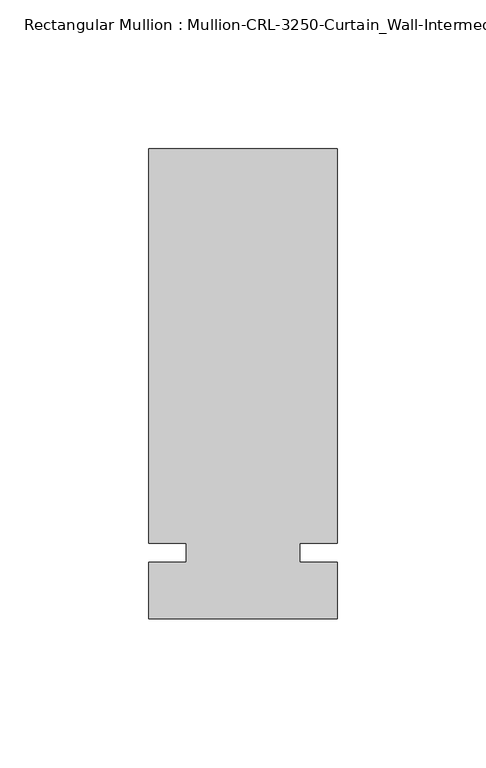
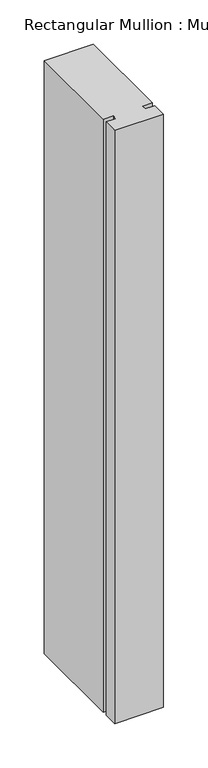
"""IFC4 building model written with IfcOpenShell, lengths in millimetres: member geometry."""

from ifc_helpers import new_model, si_unit, frame, origin, place, context, project, spatial, polyline, outline, extrude, source, transform, mapped, element, save


def member_1d3f8cbb(model_context):
    return source(origin(), model_context, "Body", "SweptSolid", [
        extrude(outline(polyline([(31.7499985, -3.175), (31.7499985, -22.2254168), (-31.7499985, -22.2254168), (-31.7499985, -3.175), (-19.0499985, -3.175), (-19.0499985, 3.175), (-31.7499985, 3.175), (-31.7499985, 136.0175642), (31.7499985, 136.0175642), (31.7499985, 3.175), (19.0499985, 3.175), (19.0499985, -3.175), (31.7499985, -3.175)])), frame((0.0, 0.0, -815.9768581), z_axis=(0.0, 0.0, 1.0), x_axis=(1.0, 0.0, 0.0)), (0.0, 0.0, 1.0), 815.9768581),
    ])


if __name__ == "__main__":
    model = new_model("IFC4")
    model_context = context("Model", 3, world=origin())
    ifc_project = project(units=[si_unit("LENGTHUNIT", "METRE", prefix="MILLI")], contexts=[model_context])
    site = spatial("IfcSite", under=ifc_project)
    building = spatial("IfcBuilding", under=site)
    placement = place(None, origin())
    member_shape = member_1d3f8cbb(model_context)
    element("IfcMember", 1, ObjectType="Rectangular Mullion : Mullion-CRL-3250-Curtain_Wall-Intermediate_Horizontal-5\"", at=placement, inside=building, context=model_context, shape_type="MappedRepresentation", body=[
        mapped(member_shape, transform((0.0, 0.0, 0.0), x_axis=(1.0, 0.0, 0.0), y_axis=(0.0, 1.0, 0.0), z_axis=(0.0, 0.0, 1.0))),
    ])
    save(model, "model.ifc")
